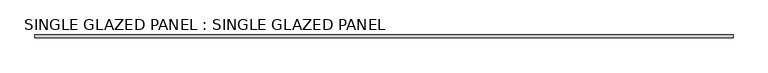
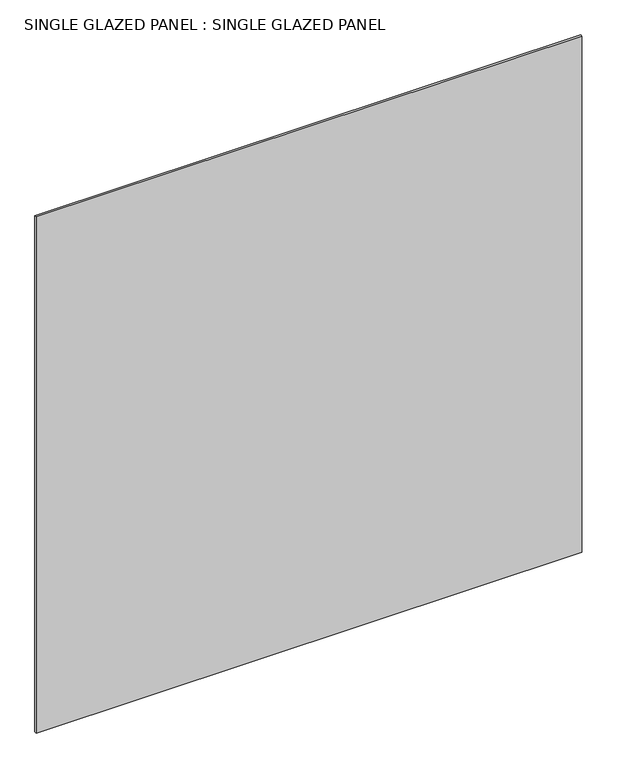
"""IFC4 building model written with IfcOpenShell, lengths in millimetres: plate geometry, SINGLE GLAZED PANEL : SINGLE GLAZED PANEL."""

from ifc_helpers import new_model, si_unit, origin, origin_with_axes, place, context, project, spatial, polyline, outline, extrude, source, transform, mapped, element, save


def single_glazed_panel_single_glazed_panel_6f6aea82(model_context):
    return source(origin(), model_context, "Body", "SweptSolid", [
        extrude(outline(polyline([(1520.825, 6.35), (1520.825, -6.35), (-1520.825, -6.35), (-1520.825, 6.35), (1520.825, 6.35)])), origin_with_axes(), (0.0, 0.0, 1.0), 3041.65),
    ])


if __name__ == "__main__":
    model = new_model("IFC4")
    model_context = context("Model", 3, world=origin())
    ifc_project = project(units=[si_unit("LENGTHUNIT", "METRE", prefix="MILLI")], contexts=[model_context])
    site = spatial("IfcSite", under=ifc_project)
    building = spatial("IfcBuilding", under=site)
    placement = place(None, origin())
    single_glazed_panel_single_glazed_panel_shape = single_glazed_panel_single_glazed_panel_6f6aea82(model_context)
    element("IfcPlate", 1, ObjectType="SINGLE GLAZED PANEL : SINGLE GLAZED PANEL", at=placement, inside=building, context=model_context, shape_type="MappedRepresentation", body=[
        mapped(single_glazed_panel_single_glazed_panel_shape, transform((0.0, 0.0, 0.0), x_axis=(1.0, 0.0, 0.0), y_axis=(0.0, 1.0, 0.0), z_axis=(0.0, 0.0, 1.0))),
    ])
    save(model, "model.ifc")
